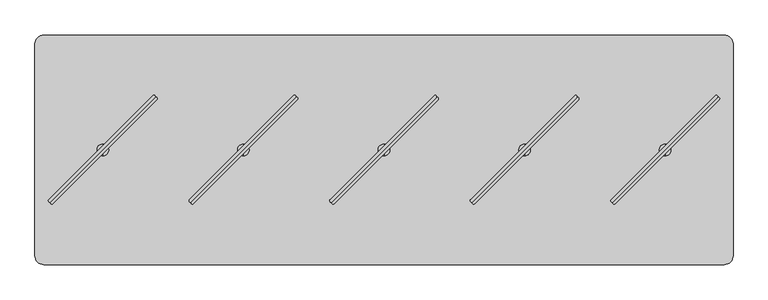
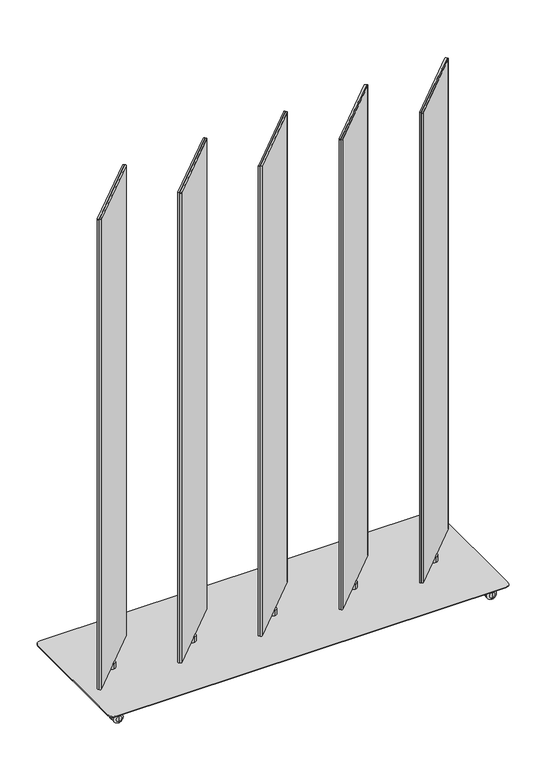
"""IFC4 building model written with IfcOpenShell, lengths in millimetres: furniture geometry."""

from ifc_helpers import new_model, si_unit, point, frame, frame_2d, origin, place, context, project, spatial, polyline, circle_curve, ellipse_curve, trimmed, segment, composite_curve, outline, extrude, source, transform, mapped, element, save
from ifc_brep_helpers import plane_surface, cylinder_surface, revolved_surface, advanced_brep


def furniture_5d0f97b5(model_context):
    return source(origin(), model_context, "Body", "SolidModel", [
        extrude(outline(composite_curve([segment(trimmed(circle_curve(frame_2d((486.9461154, -180.9165485)), 3.0144975), [point((489.0781344, -183.0476726))], [point((484.81456, -178.7849606))], False, "CARTESIAN"), True, "CONTINUOUS"), segment(polyline([(484.81456, -178.7849606), (706.8263161, 43.2234083)]), True, "CONTINUOUS"), segment(trimmed(circle_curve(frame_2d((708.8820345, 41.0642596)), 2.9812584), [point((706.8263161, 43.2234083))], [point((711.0420147, 39.0094149))], False, "CARTESIAN"), True, "CONTINUOUS"), segment(polyline([(711.0420147, 39.0094149), (489.0781344, -183.0476726)]), True, "CONTINUOUS")], self_intersect=False)), frame((0.0, 0.0, 80.7339983), z_axis=(0.0, 0.0, 1.0), x_axis=(1.0, 0.0, 0.0)), (0.0, 0.0, 1.0), 1849.882),
        extrude(outline(composite_curve([segment(polyline([(489.0388267, -183.0083649), (711.0959142, 38.9555155)]), True, "CONTINUOUS"), segment(trimmed(circle_curve(frame_2d((713.1507589, 36.7955352)), 2.9812584), [point((711.0959142, 38.9555155))], [point((715.3099076, 34.7398168))], False, "CARTESIAN"), True, "CONTINUOUS"), segment(polyline([(715.3099076, 34.7398168), (493.3015387, -187.2719392)]), True, "CONTINUOUS"), segment(trimmed(circle_curve(frame_2d((491.1699508, -185.1403839)), 3.0144975), [point((493.3015387, -187.2719392))], [point((489.0388267, -183.0083649))], False, "CARTESIAN"), True, "CONTINUOUS")], self_intersect=False)), frame((0.0, 0.0, 80.7339983), z_axis=(0.0, 0.0, 1.0), x_axis=(1.0, 0.0, 0.0)), (0.0, 0.0, 1.0), 1849.882),
        advanced_brep(
        [(599.9988, -84.5709522, 80.7339983), (599.9988, -59.5748171, 80.7339983), (599.9988, -59.5748171, 59.9975986), (599.9988, -84.5709522, 59.9975986), (599.9988, -72.0728847, 80.7339983), (599.9988, -72.0728847, 59.9975986)],
        [
            (0, 1, circle_curve(frame((599.9988, -72.0728847, 80.7339983), z_axis=(0.0, 0.0, -1.0), x_axis=(0.0, 1.0, 0.0)), 12.4980675)),
            (1, 2),
            (2, 3, circle_curve(frame((599.9988, -72.0728847, 59.9975986), z_axis=(0.0, 0.0, 1.0), x_axis=(0.0, 1.0, 0.0)), 12.4980675)),
            (3, 0),
            (4, 1),
            (0, 4),
            (0, 1, circle_curve(frame((599.9988, -72.0728847, 80.7339983), z_axis=(0.0, 0.0, 1.0), x_axis=(0.0, 1.0, 0.0)), 12.4980675)),
            (2, 5),
            (5, 3),
            (2, 3, circle_curve(frame((599.9988, -72.0728847, 59.9975986), z_axis=(0.0, 0.0, -1.0), x_axis=(0.0, 1.0, 0.0)), 12.4980675)),
        ],
        [
            cylinder_surface(frame((599.9988, -72.0728847, 88.2747758), z_axis=(0.0, 0.0, 1.0), x_axis=(0.0, 1.0, 0.0)), 12.4980675),
            plane_surface(frame((599.9988, -72.0728847, 80.7339983), z_axis=(0.0, 0.0, 1.0), x_axis=(0.0, 1.0, 0.0))),
            plane_surface(frame((599.9988, -72.0728847, 59.9975986), z_axis=(0.0, 0.0, -1.0), x_axis=(0.0, 1.0, 0.0))),
        ],
        [
            (0, [[1, 2, 3, 4]]),
            (1, [[5, -1, 6]]),
            (1, [[-6, 7, -5]]),
            (2, [[-3, 8, 9]]),
            (2, [[10, -9, -8]]),
            (0, [[-7, -4, -10, -2]]),
        ],
    ),
        extrude(outline(composite_curve([segment(trimmed(circle_curve(frame_2d((186.9467154, -180.9165485)), 3.0144975), [point((189.0787344, -183.0476726))], [point((184.81516, -178.7849606))], False, "CARTESIAN"), True, "CONTINUOUS"), segment(polyline([(184.81516, -178.7849606), (406.8269161, 43.2234083)]), True, "CONTINUOUS"), segment(trimmed(circle_curve(frame_2d((408.8826345, 41.0642596)), 2.9812584), [point((406.8269161, 43.2234083))], [point((411.0426147, 39.0094149))], False, "CARTESIAN"), True, "CONTINUOUS"), segment(polyline([(411.0426147, 39.0094149), (189.0787344, -183.0476726)]), True, "CONTINUOUS")], self_intersect=False)), frame((0.0, 0.0, 80.7339983), z_axis=(0.0, 0.0, 1.0), x_axis=(1.0, 0.0, 0.0)), (0.0, 0.0, 1.0), 1849.882),
        extrude(outline(composite_curve([segment(polyline([(189.0394267, -183.0083649), (411.0965142, 38.9555155)]), True, "CONTINUOUS"), segment(trimmed(circle_curve(frame_2d((413.1513589, 36.7955352)), 2.9812584), [point((411.0965142, 38.9555155))], [point((415.3105076, 34.7398168))], False, "CARTESIAN"), True, "CONTINUOUS"), segment(polyline([(415.3105076, 34.7398168), (193.3021387, -187.2719392)]), True, "CONTINUOUS"), segment(trimmed(circle_curve(frame_2d((191.1705508, -185.1403839)), 3.0144975), [point((193.3021387, -187.2719392))], [point((189.0394267, -183.0083649))], False, "CARTESIAN"), True, "CONTINUOUS")], self_intersect=False)), frame((0.0, 0.0, 80.7339983), z_axis=(0.0, 0.0, 1.0), x_axis=(1.0, 0.0, 0.0)), (0.0, 0.0, 1.0), 1849.882),
        advanced_brep(
        [(299.9994, -84.5709522, 80.7339983), (299.9994, -59.5748171, 80.7339983), (299.9994, -59.5748171, 59.9975986), (299.9994, -84.5709522, 59.9975986), (299.9994, -72.0728847, 80.7339983), (299.9994, -72.0728847, 59.9975986)],
        [
            (0, 1, circle_curve(frame((299.9994, -72.0728847, 80.7339983), z_axis=(0.0, 0.0, -1.0), x_axis=(0.0, 1.0, 0.0)), 12.4980675)),
            (1, 2),
            (2, 3, circle_curve(frame((299.9994, -72.0728847, 59.9975986), z_axis=(0.0, 0.0, 1.0), x_axis=(0.0, 1.0, 0.0)), 12.4980675)),
            (3, 0),
            (4, 1),
            (0, 4),
            (0, 1, circle_curve(frame((299.9994, -72.0728847, 80.7339983), z_axis=(0.0, 0.0, 1.0), x_axis=(0.0, 1.0, 0.0)), 12.4980675)),
            (2, 5),
            (5, 3),
            (2, 3, circle_curve(frame((299.9994, -72.0728847, 59.9975986), z_axis=(0.0, 0.0, -1.0), x_axis=(0.0, 1.0, 0.0)), 12.4980675)),
        ],
        [
            cylinder_surface(frame((299.9994, -72.0728847, 88.2747758), z_axis=(0.0, 0.0, 1.0), x_axis=(0.0, 1.0, 0.0)), 12.4980675),
            plane_surface(frame((299.9994, -72.0728847, 80.7339983), z_axis=(0.0, 0.0, 1.0), x_axis=(0.0, 1.0, 0.0))),
            plane_surface(frame((299.9994, -72.0728847, 59.9975986), z_axis=(0.0, 0.0, -1.0), x_axis=(0.0, 1.0, 0.0))),
        ],
        [
            (0, [[1, 2, 3, 4]]),
            (1, [[5, -1, 6]]),
            (1, [[-6, 7, -5]]),
            (2, [[-3, 8, 9]]),
            (2, [[10, -9, -8]]),
            (0, [[-7, -4, -10, -2]]),
        ],
    ),
        extrude(outline(composite_curve([segment(trimmed(circle_curve(frame_2d((-113.0526846, -180.9165485)), 3.0144975), [point((-110.9206656, -183.0476726))], [point((-115.18424, -178.7849606))], False, "CARTESIAN"), True, "CONTINUOUS"), segment(polyline([(-115.18424, -178.7849606), (106.8275161, 43.2234083)]), True, "CONTINUOUS"), segment(trimmed(circle_curve(frame_2d((108.8832345, 41.0642596)), 2.9812584), [point((106.8275161, 43.2234083))], [point((111.0432147, 39.0094149))], False, "CARTESIAN"), True, "CONTINUOUS"), segment(polyline([(111.0432147, 39.0094149), (-110.9206656, -183.0476726)]), True, "CONTINUOUS")], self_intersect=False)), frame((0.0, 0.0, 80.7339983), z_axis=(0.0, 0.0, 1.0), x_axis=(1.0, 0.0, 0.0)), (0.0, 0.0, 1.0), 1849.882),
        extrude(outline(composite_curve([segment(polyline([(-110.9599733, -183.0083649), (111.0971142, 38.9555155)]), True, "CONTINUOUS"), segment(trimmed(circle_curve(frame_2d((113.1519589, 36.7955352)), 2.9812584), [point((111.0971142, 38.9555155))], [point((115.3111076, 34.7398168))], False, "CARTESIAN"), True, "CONTINUOUS"), segment(polyline([(115.3111076, 34.7398168), (-106.6972613, -187.2719392)]), True, "CONTINUOUS"), segment(trimmed(circle_curve(frame_2d((-108.8288492, -185.1403839)), 3.0144975), [point((-106.6972613, -187.2719392))], [point((-110.9599733, -183.0083649))], False, "CARTESIAN"), True, "CONTINUOUS")], self_intersect=False)), frame((0.0, 0.0, 80.7339983), z_axis=(0.0, 0.0, 1.0), x_axis=(1.0, 0.0, 0.0)), (0.0, 0.0, 1.0), 1849.882),
        advanced_brep(
        [(0.0, -84.5709522, 80.7339983), (0.0, -59.5748171, 80.7339983), (0.0, -59.5748171, 59.9975986), (0.0, -84.5709522, 59.9975986), (0.0, -72.0728847, 80.7339983), (0.0, -72.0728847, 59.9975986)],
        [
            (0, 1, circle_curve(frame((0.0, -72.0728847, 80.7339983), z_axis=(0.0, 0.0, -1.0), x_axis=(0.0, 1.0, 0.0)), 12.4980675)),
            (1, 2),
            (2, 3, circle_curve(frame((0.0, -72.0728847, 59.9975986), z_axis=(0.0, 0.0, 1.0), x_axis=(0.0, 1.0, 0.0)), 12.4980675)),
            (3, 0),
            (4, 1),
            (0, 4),
            (0, 1, circle_curve(frame((0.0, -72.0728847, 80.7339983), z_axis=(0.0, 0.0, 1.0), x_axis=(0.0, 1.0, 0.0)), 12.4980675)),
            (2, 5),
            (5, 3),
            (2, 3, circle_curve(frame((0.0, -72.0728847, 59.9975986), z_axis=(0.0, 0.0, -1.0), x_axis=(0.0, 1.0, 0.0)), 12.4980675)),
        ],
        [
            cylinder_surface(frame((0.0, -72.0728847, 88.2747758), z_axis=(0.0, 0.0, 1.0), x_axis=(0.0, 1.0, 0.0)), 12.4980675),
            plane_surface(frame((0.0, -72.0728847, 80.7339983), z_axis=(0.0, 0.0, 1.0), x_axis=(0.0, 1.0, 0.0))),
            plane_surface(frame((0.0, -72.0728847, 59.9975986), z_axis=(0.0, 0.0, -1.0), x_axis=(0.0, 1.0, 0.0))),
        ],
        [
            (0, [[1, 2, 3, 4]]),
            (1, [[5, -1, 6]]),
            (1, [[-6, 7, -5]]),
            (2, [[-3, 8, 9]]),
            (2, [[10, -9, -8]]),
            (0, [[-7, -4, -10, -2]]),
        ],
    ),
        extrude(outline(composite_curve([segment(trimmed(circle_curve(frame_2d((-413.0520846, -180.9165485)), 3.0144975), [point((-410.9200656, -183.0476726))], [point((-415.18364, -178.7849606))], False, "CARTESIAN"), True, "CONTINUOUS"), segment(polyline([(-415.18364, -178.7849606), (-193.1718839, 43.2234083)]), True, "CONTINUOUS"), segment(trimmed(circle_curve(frame_2d((-191.1161655, 41.0642596)), 2.9812584), [point((-193.1718839, 43.2234083))], [point((-188.9561853, 39.0094149))], False, "CARTESIAN"), True, "CONTINUOUS"), segment(polyline([(-188.9561853, 39.0094149), (-410.9200656, -183.0476726)]), True, "CONTINUOUS")], self_intersect=False)), frame((0.0, 0.0, 80.7339983), z_axis=(0.0, 0.0, 1.0), x_axis=(1.0, 0.0, 0.0)), (0.0, 0.0, 1.0), 1849.882),
        extrude(outline(composite_curve([segment(polyline([(-410.9593733, -183.0083649), (-188.9022858, 38.9555155)]), True, "CONTINUOUS"), segment(trimmed(circle_curve(frame_2d((-186.8474411, 36.7955352)), 2.9812584), [point((-188.9022858, 38.9555155))], [point((-184.6882924, 34.7398168))], False, "CARTESIAN"), True, "CONTINUOUS"), segment(polyline([(-184.6882924, 34.7398168), (-406.6966613, -187.2719392)]), True, "CONTINUOUS"), segment(trimmed(circle_curve(frame_2d((-408.8282492, -185.1403839)), 3.0144975), [point((-406.6966613, -187.2719392))], [point((-410.9593733, -183.0083649))], False, "CARTESIAN"), True, "CONTINUOUS")], self_intersect=False)), frame((0.0, 0.0, 80.7339983), z_axis=(0.0, 0.0, 1.0), x_axis=(1.0, 0.0, 0.0)), (0.0, 0.0, 1.0), 1849.882),
        advanced_brep(
        [(-299.9994, -84.5709522, 80.7339983), (-299.9994, -59.5748171, 80.7339983), (-299.9994, -59.5748171, 59.9975986), (-299.9994, -84.5709522, 59.9975986), (-299.9994, -72.0728847, 80.7339983), (-299.9994, -72.0728847, 59.9975986)],
        [
            (0, 1, circle_curve(frame((-299.9994, -72.0728847, 80.7339983), z_axis=(0.0, 0.0, -1.0), x_axis=(0.0, 1.0, 0.0)), 12.4980675)),
            (1, 2),
            (2, 3, circle_curve(frame((-299.9994, -72.0728847, 59.9975986), z_axis=(0.0, 0.0, 1.0), x_axis=(0.0, 1.0, 0.0)), 12.4980675)),
            (3, 0),
            (4, 1),
            (0, 4),
            (0, 1, circle_curve(frame((-299.9994, -72.0728847, 80.7339983), z_axis=(0.0, 0.0, 1.0), x_axis=(0.0, 1.0, 0.0)), 12.4980675)),
            (2, 5),
            (5, 3),
            (2, 3, circle_curve(frame((-299.9994, -72.0728847, 59.9975986), z_axis=(0.0, 0.0, -1.0), x_axis=(0.0, 1.0, 0.0)), 12.4980675)),
        ],
        [
            cylinder_surface(frame((-299.9994, -72.0728847, 88.2747758), z_axis=(0.0, 0.0, 1.0), x_axis=(0.0, 1.0, 0.0)), 12.4980675),
            plane_surface(frame((-299.9994, -72.0728847, 80.7339983), z_axis=(0.0, 0.0, 1.0), x_axis=(0.0, 1.0, 0.0))),
            plane_surface(frame((-299.9994, -72.0728847, 59.9975986), z_axis=(0.0, 0.0, -1.0), x_axis=(0.0, 1.0, 0.0))),
        ],
        [
            (0, [[1, 2, 3, 4]]),
            (1, [[5, -1, 6]]),
            (1, [[-6, 7, -5]]),
            (2, [[-3, 8, 9]]),
            (2, [[10, -9, -8]]),
            (0, [[-7, -4, -10, -2]]),
        ],
    ),
        extrude(outline(composite_curve([segment(trimmed(circle_curve(frame_2d((-713.0514846, -180.9165485)), 3.0144975), [point((-710.9194656, -183.0476726))], [point((-715.18304, -178.7849606))], False, "CARTESIAN"), True, "CONTINUOUS"), segment(polyline([(-715.18304, -178.7849606), (-493.1712839, 43.2234083)]), True, "CONTINUOUS"), segment(trimmed(circle_curve(frame_2d((-491.1155655, 41.0642596)), 2.9812584), [point((-493.1712839, 43.2234083))], [point((-488.9555853, 39.0094149))], False, "CARTESIAN"), True, "CONTINUOUS"), segment(polyline([(-488.9555853, 39.0094149), (-710.9194656, -183.0476726)]), True, "CONTINUOUS")], self_intersect=False)), frame((0.0, 0.0, 80.7339983), z_axis=(0.0, 0.0, 1.0), x_axis=(1.0, 0.0, 0.0)), (0.0, 0.0, 1.0), 1849.882),
        extrude(outline(composite_curve([segment(polyline([(-710.9587733, -183.0083649), (-488.9016858, 38.9555155)]), True, "CONTINUOUS"), segment(trimmed(circle_curve(frame_2d((-486.8468411, 36.7955352)), 2.9812584), [point((-488.9016858, 38.9555155))], [point((-484.6876924, 34.7398168))], False, "CARTESIAN"), True, "CONTINUOUS"), segment(polyline([(-484.6876924, 34.7398168), (-706.6960613, -187.2719392)]), True, "CONTINUOUS"), segment(trimmed(circle_curve(frame_2d((-708.8276492, -185.1403839)), 3.0144975), [point((-706.6960613, -187.2719392))], [point((-710.9587733, -183.0083649))], False, "CARTESIAN"), True, "CONTINUOUS")], self_intersect=False)), frame((0.0, 0.0, 80.7339983), z_axis=(0.0, 0.0, 1.0), x_axis=(1.0, 0.0, 0.0)), (0.0, 0.0, 1.0), 1849.882),
        advanced_brep(
        [(-599.9988, -84.5709522, 80.7339983), (-599.9988, -59.5748171, 80.7339983), (-599.9988, -59.5748171, 59.9975986), (-599.9988, -84.5709522, 59.9975986), (-599.9988, -72.0728847, 80.7339983), (-599.9988, -72.0728847, 59.9975986)],
        [
            (0, 1, circle_curve(frame((-599.9988, -72.0728847, 80.7339983), z_axis=(0.0, 0.0, -1.0), x_axis=(0.0, 1.0, 0.0)), 12.4980675)),
            (1, 2),
            (2, 3, circle_curve(frame((-599.9988, -72.0728847, 59.9975986), z_axis=(0.0, 0.0, 1.0), x_axis=(0.0, 1.0, 0.0)), 12.4980675)),
            (3, 0),
            (4, 1),
            (0, 4),
            (0, 1, circle_curve(frame((-599.9988, -72.0728847, 80.7339983), z_axis=(0.0, 0.0, 1.0), x_axis=(0.0, 1.0, 0.0)), 12.4980675)),
            (2, 5),
            (5, 3),
            (2, 3, circle_curve(frame((-599.9988, -72.0728847, 59.9975986), z_axis=(0.0, 0.0, -1.0), x_axis=(0.0, 1.0, 0.0)), 12.4980675)),
        ],
        [
            cylinder_surface(frame((-599.9988, -72.0728847, 88.2747758), z_axis=(0.0, 0.0, 1.0), x_axis=(0.0, 1.0, 0.0)), 12.4980675),
            plane_surface(frame((-599.9988, -72.0728847, 80.7339983), z_axis=(0.0, 0.0, 1.0), x_axis=(0.0, 1.0, 0.0))),
            plane_surface(frame((-599.9988, -72.0728847, 59.9975986), z_axis=(0.0, 0.0, -1.0), x_axis=(0.0, 1.0, 0.0))),
        ],
        [
            (0, [[1, 2, 3, 4]]),
            (1, [[5, -1, 6]]),
            (1, [[-6, 7, -5]]),
            (2, [[-3, 8, 9]]),
            (2, [[10, -9, -8]]),
            (0, [[-7, -4, -10, -2]]),
        ],
    ),
        advanced_brep(
        [(695.0057698, -263.8998204, 45.0000013), (695.0057698, -261.16856, 45.0000013), (695.0057698, -266.6310808, 45.0000013), (695.0057698, -266.6310808, 20.9698569), (695.0057698, -261.16856, 20.9698569), (695.0057698, -263.8998204, 20.9698569)],
        [
            (0, 1),
            (1, 2, circle_curve(frame((695.0057698, -263.8998204, 45.0000013), z_axis=(0.0, 0.0, 1.0), x_axis=(0.0, 1.0, 0.0)), 2.7312604)),
            (2, 0),
            (2, 1, circle_curve(frame((695.0057698, -263.8998204, 45.0000013), z_axis=(0.0, 0.0, 1.0), x_axis=(0.0, 1.0, 0.0)), 2.7312604)),
            (3, 4, circle_curve(frame((695.0057698, -263.8998204, 20.9698569), z_axis=(0.0, 0.0, -1.0), x_axis=(0.0, 1.0, 0.0)), 2.7312604)),
            (4, 5),
            (5, 3),
            (4, 3, circle_curve(frame((695.0057698, -263.8998204, 20.9698569), z_axis=(0.0, 0.0, -1.0), x_axis=(0.0, 1.0, 0.0)), 2.7312604)),
            (1, 4),
            (3, 2),
        ],
        [
            plane_surface(frame((695.0057698, -263.8998204, 45.0000013), z_axis=(0.0, 0.0, 1.0), x_axis=(0.0, 1.0, 0.0))),
            plane_surface(frame((695.0057698, -263.8998204, 20.9698569), z_axis=(0.0, 0.0, -1.0), x_axis=(0.0, 1.0, 0.0))),
            cylinder_surface(frame((695.0057698, -263.8998204, 53.5051757), z_axis=(0.0, 0.0, 1.0), x_axis=(0.0, 1.0, 0.0)), 2.7312604),
        ],
        [
            (0, [[1, 2, 3]]),
            (0, [[-3, 4, -1]]),
            (1, [[5, 6, 7]]),
            (1, [[8, -7, -6]]),
            (2, [[-2, 9, -5, 10]]),
            (2, [[-4, -10, -8, -9]]),
        ],
    ),
        advanced_brep(
        [(695.0057698, -244.8998219, 6.35), (695.0057698, -244.8998219, 29.650001), (695.0057698, -244.8998219, 18.0000005), (695.0057698, -251.2498219, 0.0), (695.0057698, -251.2498219, 36.000001), (695.0057698, -256.8998207, 0.0), (695.0057698, -256.8998207, 36.000001), (695.0057698, -256.8998207, 11.0000008), (695.0057698, -256.8998207, 25.0000002), (695.0057698, -270.8998246, 11.0000008), (695.0057698, -270.8998246, 25.0000002), (695.0057698, -270.8998246, 0.0), (695.0057698, -270.8998246, 36.000001), (695.0057698, -276.5498189, 0.0), (695.0057698, -276.5498189, 36.000001), (695.0057698, -282.8998189, 6.35), (695.0057698, -282.8998189, 29.650001), (695.0057698, -282.8998189, 18.0000005)],
        [
            (0, 1, circle_curve(frame((695.0057698, -244.8998219, 18.0000005), z_axis=(0.0, 1.0, 0.0), x_axis=(0.0, 0.0, 1.0)), 11.6500005)),
            (1, 2),
            (2, 0),
            (1, 0, circle_curve(frame((695.0057698, -244.8998219, 18.0000005), z_axis=(0.0, 1.0, 0.0), x_axis=(0.0, 0.0, 1.0)), 11.6500005)),
            (3, 4, circle_curve(frame((695.0057698, -251.2498219, 18.0000005), z_axis=(0.0, 1.0, 0.0), x_axis=(0.0, 0.0, 1.0)), 18.0000005)),
            (4, 1, circle_curve(frame((695.0057698, -251.2498219, 29.650001), z_axis=(-1.0, 0.0, 0.0), x_axis=(0.0, 1.0, 0.0)), 6.35)),
            (0, 3, circle_curve(frame((695.0057698, -251.2498219, 6.35), z_axis=(-1.0, 0.0, 0.0), x_axis=(0.0, 1.0, 0.0)), 6.35)),
            (4, 3, circle_curve(frame((695.0057698, -251.2498219, 18.0000005), z_axis=(0.0, 1.0, 0.0), x_axis=(0.0, 0.0, 1.0)), 18.0000005)),
            (5, 6, circle_curve(frame((695.0057698, -256.8998207, 18.0000005), z_axis=(0.0, 1.0, 0.0), x_axis=(0.0, 0.0, 1.0)), 18.0000005)),
            (6, 4),
            (3, 5),
            (6, 5, circle_curve(frame((695.0057698, -256.8998207, 18.0000005), z_axis=(0.0, 1.0, 0.0), x_axis=(0.0, 0.0, 1.0)), 18.0000005)),
            (7, 8, circle_curve(frame((695.0057698, -256.8998207, 18.0000005), z_axis=(0.0, 1.0, 0.0), x_axis=(0.0, 0.0, 1.0)), 6.9999997)),
            (8, 6),
            (5, 7),
            (8, 7, circle_curve(frame((695.0057698, -256.8998207, 18.0000005), z_axis=(0.0, 1.0, 0.0), x_axis=(0.0, 0.0, 1.0)), 6.9999997)),
            (9, 10, circle_curve(frame((695.0057698, -270.8998246, 18.0000005), z_axis=(0.0, 1.0, 0.0), x_axis=(0.0, 0.0, 1.0)), 6.9999997)),
            (10, 8),
            (7, 9),
            (10, 9, circle_curve(frame((695.0057698, -270.8998246, 18.0000005), z_axis=(0.0, 1.0, 0.0), x_axis=(0.0, 0.0, 1.0)), 6.9999997)),
            (11, 12, circle_curve(frame((695.0057698, -270.8998246, 18.0000005), z_axis=(0.0, 1.0, 0.0), x_axis=(0.0, 0.0, 1.0)), 18.0000005)),
            (12, 10),
            (9, 11),
            (12, 11, circle_curve(frame((695.0057698, -270.8998246, 18.0000005), z_axis=(0.0, 1.0, 0.0), x_axis=(0.0, 0.0, 1.0)), 18.0000005)),
            (13, 14, circle_curve(frame((695.0057698, -276.5498189, 18.0000005), z_axis=(0.0, 1.0, 0.0), x_axis=(0.0, 0.0, 1.0)), 18.0000005)),
            (14, 12),
            (11, 13),
            (14, 13, circle_curve(frame((695.0057698, -276.5498189, 18.0000005), z_axis=(0.0, 1.0, 0.0), x_axis=(0.0, 0.0, 1.0)), 18.0000005)),
            (15, 16, circle_curve(frame((695.0057698, -282.8998189, 18.0000005), z_axis=(0.0, 1.0, 0.0), x_axis=(0.0, 0.0, 1.0)), 11.6500005)),
            (16, 14, circle_curve(frame((695.0057698, -276.5498189, 29.650001), z_axis=(-1.0, 0.0, 0.0), x_axis=(0.0, 1.0, 0.0)), 6.35)),
            (13, 15, circle_curve(frame((695.0057698, -276.5498189, 6.35), z_axis=(-1.0, 0.0, 0.0), x_axis=(0.0, 1.0, 0.0)), 6.35)),
            (16, 15, circle_curve(frame((695.0057698, -282.8998189, 18.0000005), z_axis=(0.0, 1.0, 0.0), x_axis=(0.0, 0.0, 1.0)), 11.6500005)),
            (17, 16),
            (15, 17),
        ],
        [
            plane_surface(frame((695.0057698, -244.8998219, 18.0000005), z_axis=(0.0, 1.0, 0.0), x_axis=(0.0, 0.0, 1.0))),
            revolved_surface(trimmed(ellipse_curve(frame((695.0057698, -251.2498219, 29.650001), z_axis=(1.0, 0.0, 0.0), x_axis=(0.0, 1.0, 0.0)), 6.35, 6.35), [point((695.0057698, -244.8998219, 29.650001))], [point((695.0057698, -251.2498219, 36.000001))], True, "CARTESIAN"), (695.0057698, -320.9998189, 18.0000005), (0.0, -1.0, 0.0)),
            cylinder_surface(frame((695.0057698, -320.9998189, 18.0000005), z_axis=(0.0, -1.0, 0.0), x_axis=(0.0, 0.0, 1.0)), 18.0000005),
            plane_surface(frame((695.0057698, -256.8998207, 18.0000005), z_axis=(0.0, -1.0, 0.0), x_axis=(0.0, 0.0, 1.0))),
            cylinder_surface(frame((695.0057698, -320.9998189, 18.0000005), z_axis=(0.0, -1.0, 0.0), x_axis=(0.0, 0.0, 1.0)), 6.9999997),
            plane_surface(frame((695.0057698, -270.8998246, 18.0000005), z_axis=(0.0, 1.0, 0.0), x_axis=(0.0, 0.0, 1.0))),
            revolved_surface(trimmed(ellipse_curve(frame((695.0057698, -276.5498189, 29.650001), z_axis=(1.0, 0.0, 0.0), x_axis=(0.0, 1.0, 0.0)), 6.35, 6.35), [point((695.0057698, -276.5498189, 36.000001))], [point((695.0057698, -282.8998189, 29.650001))], True, "CARTESIAN"), (695.0057698, -320.9998189, 18.0000005), (0.0, -1.0, 0.0)),
            plane_surface(frame((695.0057698, -282.8998189, 18.0000005), z_axis=(0.0, -1.0, 0.0), x_axis=(0.0, 0.0, 1.0))),
        ],
        [
            (0, [[1, 2, 3]]),
            (0, [[4, -3, -2]]),
            (1, [[5, 6, -1, 7]]),
            (1, [[8, -7, -4, -6]]),
            (2, [[9, 10, -5, 11]]),
            (2, [[12, -11, -8, -10]]),
            (3, [[13, 14, -9, 15]]),
            (3, [[16, -15, -12, -14]]),
            (4, [[17, 18, -13, 19]]),
            (4, [[20, -19, -16, -18]]),
            (5, [[21, 22, -17, 23]]),
            (5, [[24, -23, -20, -22]]),
            (2, [[25, 26, -21, 27]]),
            (2, [[28, -27, -24, -26]]),
            (6, [[29, 30, -25, 31]]),
            (6, [[32, -31, -28, -30]]),
            (7, [[33, -29, 34]]),
            (7, [[-34, -32, -33]]),
        ],
    ),
        advanced_brep(
        [(695.0057698, 119.7540511, 45.0000013), (695.0057698, 122.4853115, 45.0000013), (695.0057698, 117.0227906, 45.0000013), (695.0057698, 117.0227906, 20.9698569), (695.0057698, 122.4853115, 20.9698569), (695.0057698, 119.7540511, 20.9698569)],
        [
            (0, 1),
            (1, 2, circle_curve(frame((695.0057698, 119.7540511, 45.0000013), z_axis=(0.0, 0.0, 1.0), x_axis=(0.0, 1.0, 0.0)), 2.7312604)),
            (2, 0),
            (2, 1, circle_curve(frame((695.0057698, 119.7540511, 45.0000013), z_axis=(0.0, 0.0, 1.0), x_axis=(0.0, 1.0, 0.0)), 2.7312604)),
            (3, 4, circle_curve(frame((695.0057698, 119.7540511, 20.9698569), z_axis=(0.0, 0.0, -1.0), x_axis=(0.0, 1.0, 0.0)), 2.7312604)),
            (4, 5),
            (5, 3),
            (4, 3, circle_curve(frame((695.0057698, 119.7540511, 20.9698569), z_axis=(0.0, 0.0, -1.0), x_axis=(0.0, 1.0, 0.0)), 2.7312604)),
            (1, 4),
            (3, 2),
        ],
        [
            plane_surface(frame((695.0057698, 119.7540511, 45.0000013), z_axis=(0.0, 0.0, 1.0), x_axis=(0.0, 1.0, 0.0))),
            plane_surface(frame((695.0057698, 119.7540511, 20.9698569), z_axis=(0.0, 0.0, -1.0), x_axis=(0.0, 1.0, 0.0))),
            cylinder_surface(frame((695.0057698, 119.7540511, 53.5051757), z_axis=(0.0, 0.0, 1.0), x_axis=(0.0, 1.0, 0.0)), 2.7312604),
        ],
        [
            (0, [[1, 2, 3]]),
            (0, [[-3, 4, -1]]),
            (1, [[5, 6, 7]]),
            (1, [[8, -7, -6]]),
            (2, [[-2, 9, -5, 10]]),
            (2, [[-4, -10, -8, -9]]),
        ],
    ),
        advanced_brep(
        [(695.0057698, 138.7540496, 6.35), (695.0057698, 138.7540496, 29.650001), (695.0057698, 138.7540496, 18.0000005), (695.0057698, 132.4040496, 0.0), (695.0057698, 132.4040496, 36.000001), (695.0057698, 126.7540507, 0.0), (695.0057698, 126.7540507, 36.000001), (695.0057698, 126.7540507, 11.0000008), (695.0057698, 126.7540507, 25.0000002), (695.0057698, 112.7540468, 11.0000008), (695.0057698, 112.7540468, 25.0000002), (695.0057698, 112.7540468, 0.0), (695.0057698, 112.7540468, 36.000001), (695.0057698, 107.1040525, 0.0), (695.0057698, 107.1040525, 36.000001), (695.0057698, 100.7540525, 6.35), (695.0057698, 100.7540525, 29.650001), (695.0057698, 100.7540525, 18.0000005)],
        [
            (0, 1, circle_curve(frame((695.0057698, 138.7540496, 18.0000005), z_axis=(0.0, 1.0, 0.0), x_axis=(0.0, 0.0, 1.0)), 11.6500005)),
            (1, 2),
            (2, 0),
            (1, 0, circle_curve(frame((695.0057698, 138.7540496, 18.0000005), z_axis=(0.0, 1.0, 0.0), x_axis=(0.0, 0.0, 1.0)), 11.6500005)),
            (3, 4, circle_curve(frame((695.0057698, 132.4040496, 18.0000005), z_axis=(0.0, 1.0, 0.0), x_axis=(0.0, 0.0, 1.0)), 18.0000005)),
            (4, 1, circle_curve(frame((695.0057698, 132.4040496, 29.650001), z_axis=(-1.0, 0.0, 0.0), x_axis=(0.0, 1.0, 0.0)), 6.35)),
            (0, 3, circle_curve(frame((695.0057698, 132.4040496, 6.35), z_axis=(-1.0, 0.0, 0.0), x_axis=(0.0, 1.0, 0.0)), 6.35)),
            (4, 3, circle_curve(frame((695.0057698, 132.4040496, 18.0000005), z_axis=(0.0, 1.0, 0.0), x_axis=(0.0, 0.0, 1.0)), 18.0000005)),
            (5, 6, circle_curve(frame((695.0057698, 126.7540507, 18.0000005), z_axis=(0.0, 1.0, 0.0), x_axis=(0.0, 0.0, 1.0)), 18.0000005)),
            (6, 4),
            (3, 5),
            (6, 5, circle_curve(frame((695.0057698, 126.7540507, 18.0000005), z_axis=(0.0, 1.0, 0.0), x_axis=(0.0, 0.0, 1.0)), 18.0000005)),
            (7, 8, circle_curve(frame((695.0057698, 126.7540507, 18.0000005), z_axis=(0.0, 1.0, 0.0), x_axis=(0.0, 0.0, 1.0)), 6.9999997)),
            (8, 6),
            (5, 7),
            (8, 7, circle_curve(frame((695.0057698, 126.7540507, 18.0000005), z_axis=(0.0, 1.0, 0.0), x_axis=(0.0, 0.0, 1.0)), 6.9999997)),
            (9, 10, circle_curve(frame((695.0057698, 112.7540468, 18.0000005), z_axis=(0.0, 1.0, 0.0), x_axis=(0.0, 0.0, 1.0)), 6.9999997)),
            (10, 8),
            (7, 9),
            (10, 9, circle_curve(frame((695.0057698, 112.7540468, 18.0000005), z_axis=(0.0, 1.0, 0.0), x_axis=(0.0, 0.0, 1.0)), 6.9999997)),
            (11, 12, circle_curve(frame((695.0057698, 112.7540468, 18.0000005), z_axis=(0.0, 1.0, 0.0), x_axis=(0.0, 0.0, 1.0)), 18.0000005)),
            (12, 10),
            (9, 11),
            (12, 11, circle_curve(frame((695.0057698, 112.7540468, 18.0000005), z_axis=(0.0, 1.0, 0.0), x_axis=(0.0, 0.0, 1.0)), 18.0000005)),
            (13, 14, circle_curve(frame((695.0057698, 107.1040525, 18.0000005), z_axis=(0.0, 1.0, 0.0), x_axis=(0.0, 0.0, 1.0)), 18.0000005)),
            (14, 12),
            (11, 13),
            (14, 13, circle_curve(frame((695.0057698, 107.1040525, 18.0000005), z_axis=(0.0, 1.0, 0.0), x_axis=(0.0, 0.0, 1.0)), 18.0000005)),
            (15, 16, circle_curve(frame((695.0057698, 100.7540525, 18.0000005), z_axis=(0.0, 1.0, 0.0), x_axis=(0.0, 0.0, 1.0)), 11.6500005)),
            (16, 14, circle_curve(frame((695.0057698, 107.1040525, 29.650001), z_axis=(-1.0, 0.0, 0.0), x_axis=(0.0, 1.0, 0.0)), 6.35)),
            (13, 15, circle_curve(frame((695.0057698, 107.1040525, 6.35), z_axis=(-1.0, 0.0, 0.0), x_axis=(0.0, 1.0, 0.0)), 6.35)),
            (16, 15, circle_curve(frame((695.0057698, 100.7540525, 18.0000005), z_axis=(0.0, 1.0, 0.0), x_axis=(0.0, 0.0, 1.0)), 11.6500005)),
            (17, 16),
            (15, 17),
        ],
        [
            plane_surface(frame((695.0057698, 138.7540496, 18.0000005), z_axis=(0.0, 1.0, 0.0), x_axis=(0.0, 0.0, 1.0))),
            revolved_surface(trimmed(ellipse_curve(frame((695.0057698, 132.4040496, 29.650001), z_axis=(1.0, 0.0, 0.0), x_axis=(0.0, 1.0, 0.0)), 6.35, 6.35), [point((695.0057698, 138.7540496, 29.650001))], [point((695.0057698, 132.4040496, 36.000001))], True, "CARTESIAN"), (695.0057698, 62.6540525, 18.0000005), (0.0, -1.0, 0.0)),
            cylinder_surface(frame((695.0057698, 62.6540525, 18.0000005), z_axis=(0.0, -1.0, 0.0), x_axis=(0.0, 0.0, 1.0)), 18.0000005),
            plane_surface(frame((695.0057698, 126.7540507, 18.0000005), z_axis=(0.0, -1.0, 0.0), x_axis=(0.0, 0.0, 1.0))),
            cylinder_surface(frame((695.0057698, 62.6540525, 18.0000005), z_axis=(0.0, -1.0, 0.0), x_axis=(0.0, 0.0, 1.0)), 6.9999997),
            plane_surface(frame((695.0057698, 112.7540468, 18.0000005), z_axis=(0.0, 1.0, 0.0), x_axis=(0.0, 0.0, 1.0))),
            revolved_surface(trimmed(ellipse_curve(frame((695.0057698, 107.1040525, 29.650001), z_axis=(1.0, 0.0, 0.0), x_axis=(0.0, 1.0, 0.0)), 6.35, 6.35), [point((695.0057698, 107.1040525, 36.000001))], [point((695.0057698, 100.7540525, 29.650001))], True, "CARTESIAN"), (695.0057698, 62.6540525, 18.0000005), (0.0, -1.0, 0.0)),
            plane_surface(frame((695.0057698, 100.7540525, 18.0000005), z_axis=(0.0, -1.0, 0.0), x_axis=(0.0, 0.0, 1.0))),
        ],
        [
            (0, [[1, 2, 3]]),
            (0, [[4, -3, -2]]),
            (1, [[5, 6, -1, 7]]),
            (1, [[8, -7, -4, -6]]),
            (2, [[9, 10, -5, 11]]),
            (2, [[12, -11, -8, -10]]),
            (3, [[13, 14, -9, 15]]),
            (3, [[16, -15, -12, -14]]),
            (4, [[17, 18, -13, 19]]),
            (4, [[20, -19, -16, -18]]),
            (5, [[21, 22, -17, 23]]),
            (5, [[24, -23, -20, -22]]),
            (2, [[25, 26, -21, 27]]),
            (2, [[28, -27, -24, -26]]),
            (6, [[29, 30, -25, 31]]),
            (6, [[32, -31, -28, -30]]),
            (7, [[33, -29, 34]]),
            (7, [[-34, -32, -33]]),
        ],
    ),
        advanced_brep(
        [(-695.0057698, 119.7540511, 45.0000013), (-695.0057698, 122.4853115, 45.0000013), (-695.0057698, 117.0227906, 45.0000013), (-695.0057698, 117.0227906, 20.9698569), (-695.0057698, 122.4853115, 20.9698569), (-695.0057698, 119.7540511, 20.9698569)],
        [
            (0, 1),
            (1, 2, circle_curve(frame((-695.0057698, 119.7540511, 45.0000013), z_axis=(0.0, 0.0, 1.0), x_axis=(0.0, 1.0, 0.0)), 2.7312604)),
            (2, 0),
            (2, 1, circle_curve(frame((-695.0057698, 119.7540511, 45.0000013), z_axis=(0.0, 0.0, 1.0), x_axis=(0.0, 1.0, 0.0)), 2.7312604)),
            (3, 4, circle_curve(frame((-695.0057698, 119.7540511, 20.9698569), z_axis=(0.0, 0.0, -1.0), x_axis=(0.0, 1.0, 0.0)), 2.7312604)),
            (4, 5),
            (5, 3),
            (4, 3, circle_curve(frame((-695.0057698, 119.7540511, 20.9698569), z_axis=(0.0, 0.0, -1.0), x_axis=(0.0, 1.0, 0.0)), 2.7312604)),
            (1, 4),
            (3, 2),
        ],
        [
            plane_surface(frame((-695.0057698, 119.7540511, 45.0000013), z_axis=(0.0, 0.0, 1.0), x_axis=(0.0, 1.0, 0.0))),
            plane_surface(frame((-695.0057698, 119.7540511, 20.9698569), z_axis=(0.0, 0.0, -1.0), x_axis=(0.0, 1.0, 0.0))),
            cylinder_surface(frame((-695.0057698, 119.7540511, 53.5051757), z_axis=(0.0, 0.0, 1.0), x_axis=(0.0, 1.0, 0.0)), 2.7312604),
        ],
        [
            (0, [[1, 2, 3]]),
            (0, [[-3, 4, -1]]),
            (1, [[5, 6, 7]]),
            (1, [[8, -7, -6]]),
            (2, [[-2, 9, -5, 10]]),
            (2, [[-4, -10, -8, -9]]),
        ],
    ),
        advanced_brep(
        [(-695.0057698, 138.7540496, 6.35), (-695.0057698, 138.7540496, 29.650001), (-695.0057698, 138.7540496, 18.0000005), (-695.0057698, 132.4040496, 0.0), (-695.0057698, 132.4040496, 36.000001), (-695.0057698, 126.7540507, 0.0), (-695.0057698, 126.7540507, 36.000001), (-695.0057698, 126.7540507, 11.0000008), (-695.0057698, 126.7540507, 25.0000002), (-695.0057698, 112.7540468, 11.0000008), (-695.0057698, 112.7540468, 25.0000002), (-695.0057698, 112.7540468, 0.0), (-695.0057698, 112.7540468, 36.000001), (-695.0057698, 107.1040525, 0.0), (-695.0057698, 107.1040525, 36.000001), (-695.0057698, 100.7540525, 6.35), (-695.0057698, 100.7540525, 29.650001), (-695.0057698, 100.7540525, 18.0000005)],
        [
            (0, 1, circle_curve(frame((-695.0057698, 138.7540496, 18.0000005), z_axis=(0.0, 1.0, 0.0), x_axis=(0.0, 0.0, 1.0)), 11.6500005)),
            (1, 2),
            (2, 0),
            (1, 0, circle_curve(frame((-695.0057698, 138.7540496, 18.0000005), z_axis=(0.0, 1.0, 0.0), x_axis=(0.0, 0.0, 1.0)), 11.6500005)),
            (3, 4, circle_curve(frame((-695.0057698, 132.4040496, 18.0000005), z_axis=(0.0, 1.0, 0.0), x_axis=(0.0, 0.0, 1.0)), 18.0000005)),
            (4, 1, circle_curve(frame((-695.0057698, 132.4040496, 29.650001), z_axis=(-1.0, 0.0, 0.0), x_axis=(0.0, 1.0, 0.0)), 6.35)),
            (0, 3, circle_curve(frame((-695.0057698, 132.4040496, 6.35), z_axis=(-1.0, 0.0, 0.0), x_axis=(0.0, 1.0, 0.0)), 6.35)),
            (4, 3, circle_curve(frame((-695.0057698, 132.4040496, 18.0000005), z_axis=(0.0, 1.0, 0.0), x_axis=(0.0, 0.0, 1.0)), 18.0000005)),
            (5, 6, circle_curve(frame((-695.0057698, 126.7540507, 18.0000005), z_axis=(0.0, 1.0, 0.0), x_axis=(0.0, 0.0, 1.0)), 18.0000005)),
            (6, 4),
            (3, 5),
            (6, 5, circle_curve(frame((-695.0057698, 126.7540507, 18.0000005), z_axis=(0.0, 1.0, 0.0), x_axis=(0.0, 0.0, 1.0)), 18.0000005)),
            (7, 8, circle_curve(frame((-695.0057698, 126.7540507, 18.0000005), z_axis=(0.0, 1.0, 0.0), x_axis=(0.0, 0.0, 1.0)), 6.9999997)),
            (8, 6),
            (5, 7),
            (8, 7, circle_curve(frame((-695.0057698, 126.7540507, 18.0000005), z_axis=(0.0, 1.0, 0.0), x_axis=(0.0, 0.0, 1.0)), 6.9999997)),
            (9, 10, circle_curve(frame((-695.0057698, 112.7540468, 18.0000005), z_axis=(0.0, 1.0, 0.0), x_axis=(0.0, 0.0, 1.0)), 6.9999997)),
            (10, 8),
            (7, 9),
            (10, 9, circle_curve(frame((-695.0057698, 112.7540468, 18.0000005), z_axis=(0.0, 1.0, 0.0), x_axis=(0.0, 0.0, 1.0)), 6.9999997)),
            (11, 12, circle_curve(frame((-695.0057698, 112.7540468, 18.0000005), z_axis=(0.0, 1.0, 0.0), x_axis=(0.0, 0.0, 1.0)), 18.0000005)),
            (12, 10),
            (9, 11),
            (12, 11, circle_curve(frame((-695.0057698, 112.7540468, 18.0000005), z_axis=(0.0, 1.0, 0.0), x_axis=(0.0, 0.0, 1.0)), 18.0000005)),
            (13, 14, circle_curve(frame((-695.0057698, 107.1040525, 18.0000005), z_axis=(0.0, 1.0, 0.0), x_axis=(0.0, 0.0, 1.0)), 18.0000005)),
            (14, 12),
            (11, 13),
            (14, 13, circle_curve(frame((-695.0057698, 107.1040525, 18.0000005), z_axis=(0.0, 1.0, 0.0), x_axis=(0.0, 0.0, 1.0)), 18.0000005)),
            (15, 16, circle_curve(frame((-695.0057698, 100.7540525, 18.0000005), z_axis=(0.0, 1.0, 0.0), x_axis=(0.0, 0.0, 1.0)), 11.6500005)),
            (16, 14, circle_curve(frame((-695.0057698, 107.1040525, 29.650001), z_axis=(-1.0, 0.0, 0.0), x_axis=(0.0, 1.0, 0.0)), 6.35)),
            (13, 15, circle_curve(frame((-695.0057698, 107.1040525, 6.35), z_axis=(-1.0, 0.0, 0.0), x_axis=(0.0, 1.0, 0.0)), 6.35)),
            (16, 15, circle_curve(frame((-695.0057698, 100.7540525, 18.0000005), z_axis=(0.0, 1.0, 0.0), x_axis=(0.0, 0.0, 1.0)), 11.6500005)),
            (17, 16),
            (15, 17),
        ],
        [
            plane_surface(frame((-695.0057698, 138.7540496, 18.0000005), z_axis=(0.0, 1.0, 0.0), x_axis=(0.0, 0.0, 1.0))),
            revolved_surface(trimmed(ellipse_curve(frame((-695.0057698, 132.4040496, 29.650001), z_axis=(1.0, 0.0, 0.0), x_axis=(0.0, 1.0, 0.0)), 6.35, 6.35), [point((-695.0057698, 138.7540496, 29.650001))], [point((-695.0057698, 132.4040496, 36.000001))], True, "CARTESIAN"), (-695.0057698, 62.6540525, 18.0000005), (0.0, -1.0, 0.0)),
            cylinder_surface(frame((-695.0057698, 62.6540525, 18.0000005), z_axis=(0.0, -1.0, 0.0), x_axis=(0.0, 0.0, 1.0)), 18.0000005),
            plane_surface(frame((-695.0057698, 126.7540507, 18.0000005), z_axis=(0.0, -1.0, 0.0), x_axis=(0.0, 0.0, 1.0))),
            cylinder_surface(frame((-695.0057698, 62.6540525, 18.0000005), z_axis=(0.0, -1.0, 0.0), x_axis=(0.0, 0.0, 1.0)), 6.9999997),
            plane_surface(frame((-695.0057698, 112.7540468, 18.0000005), z_axis=(0.0, 1.0, 0.0), x_axis=(0.0, 0.0, 1.0))),
            revolved_surface(trimmed(ellipse_curve(frame((-695.0057698, 107.1040525, 29.650001), z_axis=(1.0, 0.0, 0.0), x_axis=(0.0, 1.0, 0.0)), 6.35, 6.35), [point((-695.0057698, 107.1040525, 36.000001))], [point((-695.0057698, 100.7540525, 29.650001))], True, "CARTESIAN"), (-695.0057698, 62.6540525, 18.0000005), (0.0, -1.0, 0.0)),
            plane_surface(frame((-695.0057698, 100.7540525, 18.0000005), z_axis=(0.0, -1.0, 0.0), x_axis=(0.0, 0.0, 1.0))),
        ],
        [
            (0, [[1, 2, 3]]),
            (0, [[4, -3, -2]]),
            (1, [[5, 6, -1, 7]]),
            (1, [[8, -7, -4, -6]]),
            (2, [[9, 10, -5, 11]]),
            (2, [[12, -11, -8, -10]]),
            (3, [[13, 14, -9, 15]]),
            (3, [[16, -15, -12, -14]]),
            (4, [[17, 18, -13, 19]]),
            (4, [[20, -19, -16, -18]]),
            (5, [[21, 22, -17, 23]]),
            (5, [[24, -23, -20, -22]]),
            (2, [[25, 26, -21, 27]]),
            (2, [[28, -27, -24, -26]]),
            (6, [[29, 30, -25, 31]]),
            (6, [[32, -31, -28, -30]]),
            (7, [[33, -29, 34]]),
            (7, [[-34, -32, -33]]),
        ],
    ),
        advanced_brep(
        [(-695.0057698, -263.8998204, 45.0000013), (-695.0057698, -261.16856, 45.0000013), (-695.0057698, -266.6310808, 45.0000013), (-695.0057698, -266.6310808, 20.9698569), (-695.0057698, -261.16856, 20.9698569), (-695.0057698, -263.8998204, 20.9698569)],
        [
            (0, 1),
            (1, 2, circle_curve(frame((-695.0057698, -263.8998204, 45.0000013), z_axis=(0.0, 0.0, 1.0), x_axis=(0.0, 1.0, 0.0)), 2.7312604)),
            (2, 0),
            (2, 1, circle_curve(frame((-695.0057698, -263.8998204, 45.0000013), z_axis=(0.0, 0.0, 1.0), x_axis=(0.0, 1.0, 0.0)), 2.7312604)),
            (3, 4, circle_curve(frame((-695.0057698, -263.8998204, 20.9698569), z_axis=(0.0, 0.0, -1.0), x_axis=(0.0, 1.0, 0.0)), 2.7312604)),
            (4, 5),
            (5, 3),
            (4, 3, circle_curve(frame((-695.0057698, -263.8998204, 20.9698569), z_axis=(0.0, 0.0, -1.0), x_axis=(0.0, 1.0, 0.0)), 2.7312604)),
            (1, 4),
            (3, 2),
        ],
        [
            plane_surface(frame((-695.0057698, -263.8998204, 45.0000013), z_axis=(0.0, 0.0, 1.0), x_axis=(0.0, 1.0, 0.0))),
            plane_surface(frame((-695.0057698, -263.8998204, 20.9698569), z_axis=(0.0, 0.0, -1.0), x_axis=(0.0, 1.0, 0.0))),
            cylinder_surface(frame((-695.0057698, -263.8998204, 53.5051757), z_axis=(0.0, 0.0, 1.0), x_axis=(0.0, 1.0, 0.0)), 2.7312604),
        ],
        [
            (0, [[1, 2, 3]]),
            (0, [[-3, 4, -1]]),
            (1, [[5, 6, 7]]),
            (1, [[8, -7, -6]]),
            (2, [[-2, 9, -5, 10]]),
            (2, [[-4, -10, -8, -9]]),
        ],
    ),
        advanced_brep(
        [(-695.0057698, -244.8998219, 6.35), (-695.0057698, -244.8998219, 29.650001), (-695.0057698, -244.8998219, 18.0000005), (-695.0057698, -251.2498219, 0.0), (-695.0057698, -251.2498219, 36.000001), (-695.0057698, -256.8998207, 0.0), (-695.0057698, -256.8998207, 36.000001), (-695.0057698, -256.8998207, 11.0000008), (-695.0057698, -256.8998207, 25.0000002), (-695.0057698, -270.8998246, 11.0000008), (-695.0057698, -270.8998246, 25.0000002), (-695.0057698, -270.8998246, 0.0), (-695.0057698, -270.8998246, 36.000001), (-695.0057698, -276.5498189, 0.0), (-695.0057698, -276.5498189, 36.000001), (-695.0057698, -282.8998189, 6.35), (-695.0057698, -282.8998189, 29.650001), (-695.0057698, -282.8998189, 18.0000005)],
        [
            (0, 1, circle_curve(frame((-695.0057698, -244.8998219, 18.0000005), z_axis=(0.0, 1.0, 0.0), x_axis=(0.0, 0.0, 1.0)), 11.6500005)),
            (1, 2),
            (2, 0),
            (1, 0, circle_curve(frame((-695.0057698, -244.8998219, 18.0000005), z_axis=(0.0, 1.0, 0.0), x_axis=(0.0, 0.0, 1.0)), 11.6500005)),
            (3, 4, circle_curve(frame((-695.0057698, -251.2498219, 18.0000005), z_axis=(0.0, 1.0, 0.0), x_axis=(0.0, 0.0, 1.0)), 18.0000005)),
            (4, 1, circle_curve(frame((-695.0057698, -251.2498219, 29.650001), z_axis=(-1.0, 0.0, 0.0), x_axis=(0.0, 1.0, 0.0)), 6.35)),
            (0, 3, circle_curve(frame((-695.0057698, -251.2498219, 6.35), z_axis=(-1.0, 0.0, 0.0), x_axis=(0.0, 1.0, 0.0)), 6.35)),
            (4, 3, circle_curve(frame((-695.0057698, -251.2498219, 18.0000005), z_axis=(0.0, 1.0, 0.0), x_axis=(0.0, 0.0, 1.0)), 18.0000005)),
            (5, 6, circle_curve(frame((-695.0057698, -256.8998207, 18.0000005), z_axis=(0.0, 1.0, 0.0), x_axis=(0.0, 0.0, 1.0)), 18.0000005)),
            (6, 4),
            (3, 5),
            (6, 5, circle_curve(frame((-695.0057698, -256.8998207, 18.0000005), z_axis=(0.0, 1.0, 0.0), x_axis=(0.0, 0.0, 1.0)), 18.0000005)),
            (7, 8, circle_curve(frame((-695.0057698, -256.8998207, 18.0000005), z_axis=(0.0, 1.0, 0.0), x_axis=(0.0, 0.0, 1.0)), 6.9999997)),
            (8, 6),
            (5, 7),
            (8, 7, circle_curve(frame((-695.0057698, -256.8998207, 18.0000005), z_axis=(0.0, 1.0, 0.0), x_axis=(0.0, 0.0, 1.0)), 6.9999997)),
            (9, 10, circle_curve(frame((-695.0057698, -270.8998246, 18.0000005), z_axis=(0.0, 1.0, 0.0), x_axis=(0.0, 0.0, 1.0)), 6.9999997)),
            (10, 8),
            (7, 9),
            (10, 9, circle_curve(frame((-695.0057698, -270.8998246, 18.0000005), z_axis=(0.0, 1.0, 0.0), x_axis=(0.0, 0.0, 1.0)), 6.9999997)),
            (11, 12, circle_curve(frame((-695.0057698, -270.8998246, 18.0000005), z_axis=(0.0, 1.0, 0.0), x_axis=(0.0, 0.0, 1.0)), 18.0000005)),
            (12, 10),
            (9, 11),
            (12, 11, circle_curve(frame((-695.0057698, -270.8998246, 18.0000005), z_axis=(0.0, 1.0, 0.0), x_axis=(0.0, 0.0, 1.0)), 18.0000005)),
            (13, 14, circle_curve(frame((-695.0057698, -276.5498189, 18.0000005), z_axis=(0.0, 1.0, 0.0), x_axis=(0.0, 0.0, 1.0)), 18.0000005)),
            (14, 12),
            (11, 13),
            (14, 13, circle_curve(frame((-695.0057698, -276.5498189, 18.0000005), z_axis=(0.0, 1.0, 0.0), x_axis=(0.0, 0.0, 1.0)), 18.0000005)),
            (15, 16, circle_curve(frame((-695.0057698, -282.8998189, 18.0000005), z_axis=(0.0, 1.0, 0.0), x_axis=(0.0, 0.0, 1.0)), 11.6500005)),
            (16, 14, circle_curve(frame((-695.0057698, -276.5498189, 29.650001), z_axis=(-1.0, 0.0, 0.0), x_axis=(0.0, 1.0, 0.0)), 6.35)),
            (13, 15, circle_curve(frame((-695.0057698, -276.5498189, 6.35), z_axis=(-1.0, 0.0, 0.0), x_axis=(0.0, 1.0, 0.0)), 6.35)),
            (16, 15, circle_curve(frame((-695.0057698, -282.8998189, 18.0000005), z_axis=(0.0, 1.0, 0.0), x_axis=(0.0, 0.0, 1.0)), 11.6500005)),
            (17, 16),
            (15, 17),
        ],
        [
            plane_surface(frame((-695.0057698, -244.8998219, 18.0000005), z_axis=(0.0, 1.0, 0.0), x_axis=(0.0, 0.0, 1.0))),
            revolved_surface(trimmed(ellipse_curve(frame((-695.0057698, -251.2498219, 29.650001), z_axis=(1.0, 0.0, 0.0), x_axis=(0.0, 1.0, 0.0)), 6.35, 6.35), [point((-695.0057698, -244.8998219, 29.650001))], [point((-695.0057698, -251.2498219, 36.000001))], True, "CARTESIAN"), (-695.0057698, -320.9998189, 18.0000005), (0.0, -1.0, 0.0)),
            cylinder_surface(frame((-695.0057698, -320.9998189, 18.0000005), z_axis=(0.0, -1.0, 0.0), x_axis=(0.0, 0.0, 1.0)), 18.0000005),
            plane_surface(frame((-695.0057698, -256.8998207, 18.0000005), z_axis=(0.0, -1.0, 0.0), x_axis=(0.0, 0.0, 1.0))),
            cylinder_surface(frame((-695.0057698, -320.9998189, 18.0000005), z_axis=(0.0, -1.0, 0.0), x_axis=(0.0, 0.0, 1.0)), 6.9999997),
            plane_surface(frame((-695.0057698, -270.8998246, 18.0000005), z_axis=(0.0, 1.0, 0.0), x_axis=(0.0, 0.0, 1.0))),
            revolved_surface(trimmed(ellipse_curve(frame((-695.0057698, -276.5498189, 29.650001), z_axis=(1.0, 0.0, 0.0), x_axis=(0.0, 1.0, 0.0)), 6.35, 6.35), [point((-695.0057698, -276.5498189, 36.000001))], [point((-695.0057698, -282.8998189, 29.650001))], True, "CARTESIAN"), (-695.0057698, -320.9998189, 18.0000005), (0.0, -1.0, 0.0)),
            plane_surface(frame((-695.0057698, -282.8998189, 18.0000005), z_axis=(0.0, -1.0, 0.0), x_axis=(0.0, 0.0, 1.0))),
        ],
        [
            (0, [[1, 2, 3]]),
            (0, [[4, -3, -2]]),
            (1, [[5, 6, -1, 7]]),
            (1, [[8, -7, -4, -6]]),
            (2, [[9, 10, -5, 11]]),
            (2, [[12, -11, -8, -10]]),
            (3, [[13, 14, -9, 15]]),
            (3, [[16, -15, -12, -14]]),
            (4, [[17, 18, -13, 19]]),
            (4, [[20, -19, -16, -18]]),
            (5, [[21, 22, -17, 23]]),
            (5, [[24, -23, -20, -22]]),
            (2, [[25, 26, -21, 27]]),
            (2, [[28, -27, -24, -26]]),
            (6, [[29, 30, -25, 31]]),
            (6, [[32, -31, -28, -30]]),
            (7, [[33, -29, 34]]),
            (7, [[-34, -32, -33]]),
        ],
    ),
        extrude(outline(composite_curve([segment(polyline([(-695.7695, 142.9271143), (695.7695, 142.9271143)]), True, "CONTINUOUS"), segment(trimmed(circle_curve(frame_2d((695.7695, 123.8771143)), 19.05), [point((695.7695, 142.9271143))], [point((714.8195, 123.8771143))], False, "CARTESIAN"), True, "CONTINUOUS"), segment(polyline([(714.8195, 123.8771143), (714.8195, -268.0228972)]), True, "CONTINUOUS"), segment(trimmed(circle_curve(frame_2d((695.7695, -268.0228972)), 19.05), [point((714.8195, -268.0228972))], [point((695.7695, -287.0728972))], False, "CARTESIAN"), True, "CONTINUOUS"), segment(polyline([(695.7695, -287.0728972), (-695.7695, -287.0728972)]), True, "CONTINUOUS"), segment(trimmed(circle_curve(frame_2d((-695.7695, -268.0228972)), 19.05), [point((-695.7695, -287.0728972))], [point((-714.8195, -268.0228972))], False, "CARTESIAN"), True, "CONTINUOUS"), segment(polyline([(-714.8195, -268.0228972), (-714.8195, 123.8771143)]), True, "CONTINUOUS"), segment(trimmed(circle_curve(frame_2d((-695.7695, 123.8771143)), 19.05), [point((-714.8195, 123.8771143))], [point((-695.7695, 142.9271143))], False, "CARTESIAN"), True, "CONTINUOUS")], self_intersect=False)), frame((0.0, 0.0, 36.322), z_axis=(0.0, 0.0, 1.0), x_axis=(1.0, 0.0, 0.0)), (0.0, 0.0, 1.0), 20.6756),
        extrude(outline(composite_curve([segment(trimmed(circle_curve(frame_2d((725.932, 153.8601153)), 19.05), [point((725.932, 172.9101153))], [point((744.982, 153.8601153))], False, "CARTESIAN"), True, "CONTINUOUS"), segment(polyline([(744.982, 153.8601153), (744.982, -298.0058847)]), True, "CONTINUOUS"), segment(trimmed(circle_curve(frame_2d((725.932, -298.0058847)), 19.05), [point((744.982, -298.0058847))], [point((725.932, -317.0558847))], False, "CARTESIAN"), True, "CONTINUOUS"), segment(polyline([(725.932, -317.0558847), (-725.932, -317.0558847)]), True, "CONTINUOUS"), segment(trimmed(circle_curve(frame_2d((-725.932, -298.0058847)), 19.05), [point((-725.932, -317.0558847))], [point((-744.982, -298.0058847))], False, "CARTESIAN"), True, "CONTINUOUS"), segment(polyline([(-744.982, -298.0058847), (-744.982, 153.8601153)]), True, "CONTINUOUS"), segment(trimmed(circle_curve(frame_2d((-725.932, 153.8601153)), 19.05), [point((-744.982, 153.8601153))], [point((-725.932, 172.9101153))], False, "CARTESIAN"), True, "CONTINUOUS"), segment(polyline([(-725.932, 172.9101153), (725.932, 172.9101153)]), True, "CONTINUOUS")], self_intersect=False)), frame((0.0, 0.0, 56.9976), z_axis=(0.0, 0.0, 1.0), x_axis=(1.0, 0.0, 0.0)), (0.0, 0.0, 1.0), 2.9999986),
    ])


if __name__ == "__main__":
    model = new_model("IFC4")
    model_context = context("Model", 3, world=origin())
    ifc_project = project(units=[si_unit("LENGTHUNIT", "METRE", prefix="MILLI")], contexts=[model_context])
    site = spatial("IfcSite", under=ifc_project)
    building = spatial("IfcBuilding", under=site)
    placement = place(None, origin())
    furniture_shape = furniture_5d0f97b5(model_context)
    element("IfcFurniture", 1, at=placement, inside=building, context=model_context, shape_type="MappedRepresentation", body=[
        mapped(furniture_shape, transform((0.0, 0.0, 0.0), x_axis=(1.0, 0.0, 0.0), y_axis=(0.0, 1.0, 0.0), z_axis=(0.0, 0.0, 1.0))),
    ])
    save(model, "model.ifc")
